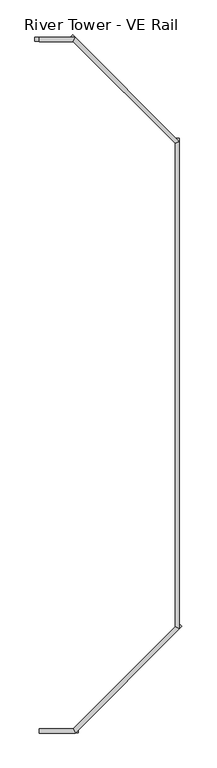
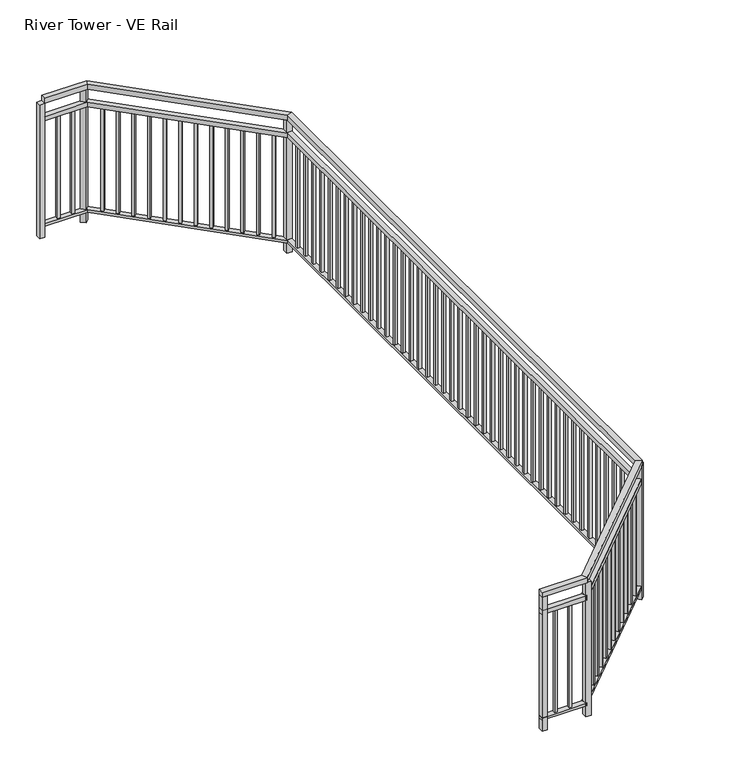
"""IFC4 building model written with IfcOpenShell, lengths in millimetres: railing geometry, River Tower - VE Rail."""

from ifc_helpers import new_model, si_unit, frame, origin, origin_with_axes, place, context, project, spatial, polyline, outline, extrude, faceted_brep, source, transform, mapped, element, save


def river_tower_ve_rail_c5d90f8f(model_context):
    return source(origin(), model_context, "Body", "SolidModel", [
        faceted_brep([(-67.5137515, 1457.9109771, 1028.7), (-67.5137515, 1457.9109771, 1066.8), (-67.5137515, 1497.5984771, 1066.8), (-67.5137515, 1497.5984771, 1028.7), (258.6570795, 1457.9109771, 1028.7), (258.6570795, 1457.9109771, 1066.8), (242.2179787, 1497.5984771, 1066.8), (242.2179787, 1497.5984771, 1028.7), (1203.2799985, 2402.5338961, 1028.7), (1203.2799985, 2402.5338961, 1066.8), (1163.5924985, 2418.9729969, 1066.8), (1163.5924985, 2418.9729969, 1028.7), (1203.2799985, 6814.0755581, 1028.7), (1203.2799985, 6814.0755581, 1066.8), (1163.5924985, 6797.6364573, 1066.8), (1163.5924985, 6797.6364573, 1028.7), (258.6570795, 7758.6984771, 1028.7), (258.6570795, 7758.6984771, 1066.8), (242.2179787, 7719.0109771, 1066.8), (242.2179787, 7719.0109771, 1028.7), (-67.5137515, 7758.6984771, 1028.7), (-67.5137515, 7719.0109771, 1028.7), (-67.5137515, 7719.0109771, 1066.8), (-67.5137515, 7758.6984771, 1066.8)], [[[0, 1, 2, 3]], [[1, 0, 4, 5]], [[2, 1, 5, 6]], [[3, 2, 6, 7]], [[0, 3, 7, 4]], [[5, 4, 8, 9]], [[6, 5, 9, 10]], [[7, 6, 10, 11]], [[4, 7, 11, 8]], [[9, 8, 12, 13]], [[10, 9, 13, 14]], [[11, 10, 14, 15]], [[8, 11, 15, 12]], [[13, 12, 16, 17]], [[14, 13, 17, 18]], [[15, 14, 18, 19]], [[12, 15, 19, 16]], [[20, 21, 22, 23]], [[17, 16, 20, 23]], [[18, 17, 23, 22]], [[19, 18, 22, 21]], [[16, 19, 21, 20]]]),
        faceted_brep([(-67.5137515, 1460.0441802, 893.1671875), (-67.5137515, 1460.0441802, 927.1), (-67.5137515, 1495.465274, 927.1), (-67.5137515, 1495.465274, 893.1671875), (257.7734778, 1460.0441802, 893.1671875), (257.7734778, 1460.0441802, 927.1), (243.1015804, 1495.465274, 927.1), (243.1015804, 1495.465274, 893.1671875), (1201.1467954, 2403.4174978, 893.1671875), (1201.1467954, 2403.4174978, 927.1), (1165.7257016, 2418.0893952, 927.1), (1165.7257016, 2418.0893952, 893.1671875), (1201.1467954, 6813.1919564, 893.1671875), (1201.1467954, 6813.1919564, 927.1), (1165.7257016, 6798.520059, 927.1), (1165.7257016, 6798.520059, 893.1671875), (257.7734778, 7756.565274, 893.1671875), (257.7734778, 7756.565274, 927.1), (243.1015804, 7721.1441802, 927.1), (243.1015804, 7721.1441802, 893.1671875), (-67.5137515, 7756.565274, 893.1671875), (-67.5137515, 7721.1441802, 893.1671875), (-67.5137515, 7721.1441802, 927.1), (-67.5137515, 7756.565274, 927.1)], [[[0, 1, 2, 3]], [[1, 0, 4, 5]], [[2, 1, 5, 6]], [[3, 2, 6, 7]], [[0, 3, 7, 4]], [[5, 4, 8, 9]], [[6, 5, 9, 10]], [[7, 6, 10, 11]], [[4, 7, 11, 8]], [[9, 8, 12, 13]], [[10, 9, 13, 14]], [[11, 10, 14, 15]], [[8, 11, 15, 12]], [[13, 12, 16, 17]], [[14, 13, 17, 18]], [[15, 14, 18, 19]], [[12, 15, 19, 16]], [[20, 21, 22, 23]], [[17, 16, 20, 23]], [[18, 17, 23, 22]], [[19, 18, 22, 21]], [[16, 19, 21, 20]]]),
        faceted_brep([(-67.5137515, 1496.0732865, 82.55), (-67.5137515, 1459.4361677, 82.55), (-67.5137515, 1459.4361677, 101.6127), (-67.5137515, 1496.0732865, 101.6127), (242.8497334, 1496.0732865, 82.55), (258.0253248, 1459.4361677, 82.55), (258.0253248, 1459.4361677, 101.6127), (242.8497334, 1496.0732865, 101.6127), (1165.1176891, 2418.3412422, 82.55), (1201.7548079, 2403.1656507, 82.55), (1201.7548079, 2403.1656507, 101.6127), (1165.1176891, 2418.3412422, 101.6127), (1165.1176891, 6798.2682119, 82.55), (1201.7548079, 6813.4438034, 82.55), (1201.7548079, 6813.4438034, 101.6127), (1165.1176891, 6798.2682119, 101.6127), (242.8497334, 7720.5361677, 82.55), (258.0253248, 7757.1732865, 82.55), (258.0253248, 7757.1732865, 101.6127), (242.8497334, 7720.5361677, 101.6127), (-67.5137515, 7720.5361677, 82.55), (-67.5137515, 7720.5361677, 101.6127), (-67.5137515, 7757.1732865, 101.6127), (-67.5137515, 7757.1732865, 82.55)], [[[0, 1, 2, 3]], [[1, 0, 4, 5]], [[2, 1, 5, 6]], [[3, 2, 6, 7]], [[0, 3, 7, 4]], [[5, 4, 8, 9]], [[6, 5, 9, 10]], [[7, 6, 10, 11]], [[4, 7, 11, 8]], [[9, 8, 12, 13]], [[10, 9, 13, 14]], [[11, 10, 14, 15]], [[8, 11, 15, 12]], [[13, 12, 16, 17]], [[14, 13, 17, 18]], [[15, 14, 18, 19]], [[12, 15, 19, 16]], [[20, 21, 22, 23]], [[17, 16, 20, 23]], [[18, 17, 23, 22]], [[19, 18, 22, 21]], [[16, 19, 21, 20]]]),
        extrude(outline(polyline([(47.9950087, 7729.3297271), (28.9450087, 7729.3297271), (28.9450087, 7748.3797271), (47.9950087, 7748.3797271), (47.9950087, 7729.3297271)])), frame((0.0, 0.0, 101.6127), z_axis=(0.0, 0.0, 1.0), x_axis=(1.0, 0.0, 0.0)), (0.0, 0.0, 1.0), 791.5544875),
        extrude(outline(polyline([(153.9787689, 7729.3297271), (134.9287689, 7729.3297271), (134.9287689, 7748.3797271), (153.9787689, 7748.3797271), (153.9787689, 7729.3297271)])), frame((0.0, 0.0, 101.6127), z_axis=(0.0, 0.0, 1.0), x_axis=(1.0, 0.0, 0.0)), (0.0, 0.0, 1.0), 791.5544875),
        extrude(outline(polyline([(322.2066614, 7653.6152106), (308.7362772, 7667.0855948), (322.2066614, 7680.555979), (335.6770455, 7667.0855948), (322.2066614, 7653.6152106)])), frame((0.0, 0.0, 101.6127), z_axis=(0.0, 0.0, 1.0), x_axis=(1.0, 0.0, 0.0)), (0.0, 0.0, 1.0), 791.5544875),
        extrude(outline(polyline([(393.9757936, 7581.8460784), (380.5054094, 7595.3164626), (393.9757936, 7608.7868467), (407.4461778, 7595.3164626), (393.9757936, 7581.8460784)])), frame((0.0, 0.0, 101.6127), z_axis=(0.0, 0.0, 1.0), x_axis=(1.0, 0.0, 0.0)), (0.0, 0.0, 1.0), 791.5544875),
        extrude(outline(polyline([(465.7449259, 7510.0769461), (452.2745417, 7523.5473303), (465.7449259, 7537.0177145), (479.2153101, 7523.5473303), (465.7449259, 7510.0769461)])), frame((0.0, 0.0, 101.6127), z_axis=(0.0, 0.0, 1.0), x_axis=(1.0, 0.0, 0.0)), (0.0, 0.0, 1.0), 791.5544875),
        extrude(outline(polyline([(537.5140581, 7438.3078139), (524.043674, 7451.778198), (537.5140581, 7465.2485822), (550.9844423, 7451.778198), (537.5140581, 7438.3078139)])), frame((0.0, 0.0, 101.6127), z_axis=(0.0, 0.0, 1.0), x_axis=(1.0, 0.0, 0.0)), (0.0, 0.0, 1.0), 791.5544875),
        extrude(outline(polyline([(609.2831904, 7366.5386816), (595.8128062, 7380.0090658), (609.2831904, 7393.47945), (622.7535746, 7380.0090658), (609.2831904, 7366.5386816)])), frame((0.0, 0.0, 101.6127), z_axis=(0.0, 0.0, 1.0), x_axis=(1.0, 0.0, 0.0)), (0.0, 0.0, 1.0), 791.5544875),
        extrude(outline(polyline([(681.0523227, 7294.7695493), (667.5819385, 7308.2399335), (681.0523227, 7321.7103177), (694.5227068, 7308.2399335), (681.0523227, 7294.7695493)])), frame((0.0, 0.0, 101.6127), z_axis=(0.0, 0.0, 1.0), x_axis=(1.0, 0.0, 0.0)), (0.0, 0.0, 1.0), 791.5544875),
        extrude(outline(polyline([(752.8214549, 7223.0004171), (739.3510707, 7236.4708013), (752.8214549, 7249.9411854), (766.2918391, 7236.4708013), (752.8214549, 7223.0004171)])), frame((0.0, 0.0, 101.6127), z_axis=(0.0, 0.0, 1.0), x_axis=(1.0, 0.0, 0.0)), (0.0, 0.0, 1.0), 791.5544875),
        extrude(outline(polyline([(824.5905872, 7151.2312848), (811.120203, 7164.701669), (824.5905872, 7178.1720532), (838.0609714, 7164.701669), (824.5905872, 7151.2312848)])), frame((0.0, 0.0, 101.6127), z_axis=(0.0, 0.0, 1.0), x_axis=(1.0, 0.0, 0.0)), (0.0, 0.0, 1.0), 791.5544875),
        extrude(outline(polyline([(896.3597194, 7079.4621525), (882.8893353, 7092.9325367), (896.3597194, 7106.4029209), (909.8301036, 7092.9325367), (896.3597194, 7079.4621525)])), frame((0.0, 0.0, 101.6127), z_axis=(0.0, 0.0, 1.0), x_axis=(1.0, 0.0, 0.0)), (0.0, 0.0, 1.0), 791.5544875),
        extrude(outline(polyline([(968.1288517, 7007.6930203), (954.6584675, 7021.1634045), (968.1288517, 7034.6337887), (981.5992359, 7021.1634045), (968.1288517, 7007.6930203)])), frame((0.0, 0.0, 101.6127), z_axis=(0.0, 0.0, 1.0), x_axis=(1.0, 0.0, 0.0)), (0.0, 0.0, 1.0), 791.5544875),
        extrude(outline(polyline([(1039.897984, 6935.923888), (1026.4275998, 6949.3942722), (1039.897984, 6962.8646564), (1053.3683682, 6949.3942722), (1039.897984, 6935.923888)])), frame((0.0, 0.0, 101.6127), z_axis=(0.0, 0.0, 1.0), x_axis=(1.0, 0.0, 0.0)), (0.0, 0.0, 1.0), 791.5544875),
        extrude(outline(polyline([(1111.6671162, 6864.1547558), (1098.196732, 6877.6251399), (1111.6671162, 6891.0955241), (1125.1375004, 6877.6251399), (1111.6671162, 6864.1547558)])), frame((0.0, 0.0, 101.6127), z_axis=(0.0, 0.0, 1.0), x_axis=(1.0, 0.0, 0.0)), (0.0, 0.0, 1.0), 791.5544875),
        extrude(outline(polyline([(1173.9112485, 6694.1193202), (1173.9112485, 6713.1693202), (1192.9612485, 6713.1693202), (1192.9612485, 6694.1193202), (1173.9112485, 6694.1193202)])), frame((0.0, 0.0, 101.6127), z_axis=(0.0, 0.0, 1.0), x_axis=(1.0, 0.0, 0.0)), (0.0, 0.0, 1.0), 791.5544875),
        extrude(outline(polyline([(1173.9112485, 6591.9076327), (1173.9112485, 6610.9576327), (1192.9612485, 6610.9576327), (1192.9612485, 6591.9076327), (1173.9112485, 6591.9076327)])), frame((0.0, 0.0, 101.6127), z_axis=(0.0, 0.0, 1.0), x_axis=(1.0, 0.0, 0.0)), (0.0, 0.0, 1.0), 791.5544875),
        extrude(outline(polyline([(1173.9112485, 6489.6959453), (1173.9112485, 6508.7459453), (1192.9612485, 6508.7459453), (1192.9612485, 6489.6959453), (1173.9112485, 6489.6959453)])), frame((0.0, 0.0, 101.6127), z_axis=(0.0, 0.0, 1.0), x_axis=(1.0, 0.0, 0.0)), (0.0, 0.0, 1.0), 791.5544875),
        extrude(outline(polyline([(1173.9112485, 6387.4842578), (1173.9112485, 6406.5342578), (1192.9612485, 6406.5342578), (1192.9612485, 6387.4842578), (1173.9112485, 6387.4842578)])), frame((0.0, 0.0, 101.6127), z_axis=(0.0, 0.0, 1.0), x_axis=(1.0, 0.0, 0.0)), (0.0, 0.0, 1.0), 791.5544875),
        extrude(outline(polyline([(1173.9112485, 6285.2725703), (1173.9112485, 6304.3225703), (1192.9612485, 6304.3225703), (1192.9612485, 6285.2725703), (1173.9112485, 6285.2725703)])), frame((0.0, 0.0, 101.6127), z_axis=(0.0, 0.0, 1.0), x_axis=(1.0, 0.0, 0.0)), (0.0, 0.0, 1.0), 791.5544875),
        extrude(outline(polyline([(1173.9112485, 6183.0608829), (1173.9112485, 6202.1108829), (1192.9612485, 6202.1108829), (1192.9612485, 6183.0608829), (1173.9112485, 6183.0608829)])), frame((0.0, 0.0, 101.6127), z_axis=(0.0, 0.0, 1.0), x_axis=(1.0, 0.0, 0.0)), (0.0, 0.0, 1.0), 791.5544875),
        extrude(outline(polyline([(1173.9112485, 6080.8491954), (1173.9112485, 6099.8991954), (1192.9612485, 6099.8991954), (1192.9612485, 6080.8491954), (1173.9112485, 6080.8491954)])), frame((0.0, 0.0, 101.6127), z_axis=(0.0, 0.0, 1.0), x_axis=(1.0, 0.0, 0.0)), (0.0, 0.0, 1.0), 791.5544875),
        extrude(outline(polyline([(1173.9112485, 5978.6375079), (1173.9112485, 5997.6875079), (1192.9612485, 5997.6875079), (1192.9612485, 5978.6375079), (1173.9112485, 5978.6375079)])), frame((0.0, 0.0, 101.6127), z_axis=(0.0, 0.0, 1.0), x_axis=(1.0, 0.0, 0.0)), (0.0, 0.0, 1.0), 791.5544875),
        extrude(outline(polyline([(1173.9112485, 5876.4258205), (1173.9112485, 5895.4758205), (1192.9612485, 5895.4758205), (1192.9612485, 5876.4258205), (1173.9112485, 5876.4258205)])), frame((0.0, 0.0, 101.6127), z_axis=(0.0, 0.0, 1.0), x_axis=(1.0, 0.0, 0.0)), (0.0, 0.0, 1.0), 791.5544875),
        extrude(outline(polyline([(1173.9112485, 5774.214133), (1173.9112485, 5793.264133), (1192.9612485, 5793.264133), (1192.9612485, 5774.214133), (1173.9112485, 5774.214133)])), frame((0.0, 0.0, 101.6127), z_axis=(0.0, 0.0, 1.0), x_axis=(1.0, 0.0, 0.0)), (0.0, 0.0, 1.0), 791.5544875),
        extrude(outline(polyline([(1173.9112485, 5672.0024455), (1173.9112485, 5691.0524455), (1192.9612485, 5691.0524455), (1192.9612485, 5672.0024455), (1173.9112485, 5672.0024455)])), frame((0.0, 0.0, 101.6127), z_axis=(0.0, 0.0, 1.0), x_axis=(1.0, 0.0, 0.0)), (0.0, 0.0, 1.0), 791.5544875),
        extrude(outline(polyline([(1173.9112485, 5569.790758), (1173.9112485, 5588.840758), (1192.9612485, 5588.840758), (1192.9612485, 5569.790758), (1173.9112485, 5569.790758)])), frame((0.0, 0.0, 101.6127), z_axis=(0.0, 0.0, 1.0), x_axis=(1.0, 0.0, 0.0)), (0.0, 0.0, 1.0), 791.5544875),
        extrude(outline(polyline([(1173.9112485, 5467.5790706), (1173.9112485, 5486.6290706), (1192.9612485, 5486.6290706), (1192.9612485, 5467.5790706), (1173.9112485, 5467.5790706)])), frame((0.0, 0.0, 101.6127), z_axis=(0.0, 0.0, 1.0), x_axis=(1.0, 0.0, 0.0)), (0.0, 0.0, 1.0), 791.5544875),
        extrude(outline(polyline([(1173.9112485, 5365.3673831), (1173.9112485, 5384.4173831), (1192.9612485, 5384.4173831), (1192.9612485, 5365.3673831), (1173.9112485, 5365.3673831)])), frame((0.0, 0.0, 101.6127), z_axis=(0.0, 0.0, 1.0), x_axis=(1.0, 0.0, 0.0)), (0.0, 0.0, 1.0), 791.5544875),
        extrude(outline(polyline([(1173.9112485, 5263.1556956), (1173.9112485, 5282.2056956), (1192.9612485, 5282.2056956), (1192.9612485, 5263.1556956), (1173.9112485, 5263.1556956)])), frame((0.0, 0.0, 101.6127), z_axis=(0.0, 0.0, 1.0), x_axis=(1.0, 0.0, 0.0)), (0.0, 0.0, 1.0), 791.5544875),
        extrude(outline(polyline([(1173.9112485, 5160.9440082), (1173.9112485, 5179.9940082), (1192.9612485, 5179.9940082), (1192.9612485, 5160.9440082), (1173.9112485, 5160.9440082)])), frame((0.0, 0.0, 101.6127), z_axis=(0.0, 0.0, 1.0), x_axis=(1.0, 0.0, 0.0)), (0.0, 0.0, 1.0), 791.5544875),
        extrude(outline(polyline([(1173.9112485, 5058.7323207), (1173.9112485, 5077.7823207), (1192.9612485, 5077.7823207), (1192.9612485, 5058.7323207), (1173.9112485, 5058.7323207)])), frame((0.0, 0.0, 101.6127), z_axis=(0.0, 0.0, 1.0), x_axis=(1.0, 0.0, 0.0)), (0.0, 0.0, 1.0), 791.5544875),
        extrude(outline(polyline([(1173.9112485, 4956.5206332), (1173.9112485, 4975.5706332), (1192.9612485, 4975.5706332), (1192.9612485, 4956.5206332), (1173.9112485, 4956.5206332)])), frame((0.0, 0.0, 101.6127), z_axis=(0.0, 0.0, 1.0), x_axis=(1.0, 0.0, 0.0)), (0.0, 0.0, 1.0), 791.5544875),
        extrude(outline(polyline([(1173.9112485, 4854.3089458), (1173.9112485, 4873.3589458), (1192.9612485, 4873.3589458), (1192.9612485, 4854.3089458), (1173.9112485, 4854.3089458)])), frame((0.0, 0.0, 101.6127), z_axis=(0.0, 0.0, 1.0), x_axis=(1.0, 0.0, 0.0)), (0.0, 0.0, 1.0), 791.5544875),
        extrude(outline(polyline([(1173.9112485, 4752.0972583), (1173.9112485, 4771.1472583), (1192.9612485, 4771.1472583), (1192.9612485, 4752.0972583), (1173.9112485, 4752.0972583)])), frame((0.0, 0.0, 101.6127), z_axis=(0.0, 0.0, 1.0), x_axis=(1.0, 0.0, 0.0)), (0.0, 0.0, 1.0), 791.5544875),
        extrude(outline(polyline([(1173.9112485, 4649.8855708), (1173.9112485, 4668.9355708), (1192.9612485, 4668.9355708), (1192.9612485, 4649.8855708), (1173.9112485, 4649.8855708)])), frame((0.0, 0.0, 101.6127), z_axis=(0.0, 0.0, 1.0), x_axis=(1.0, 0.0, 0.0)), (0.0, 0.0, 1.0), 791.5544875),
        extrude(outline(polyline([(1173.9112485, 4547.6738833), (1173.9112485, 4566.7238833), (1192.9612485, 4566.7238833), (1192.9612485, 4547.6738833), (1173.9112485, 4547.6738833)])), frame((0.0, 0.0, 101.6127), z_axis=(0.0, 0.0, 1.0), x_axis=(1.0, 0.0, 0.0)), (0.0, 0.0, 1.0), 791.5544875),
        extrude(outline(polyline([(1173.9112485, 4445.4621959), (1173.9112485, 4464.5121959), (1192.9612485, 4464.5121959), (1192.9612485, 4445.4621959), (1173.9112485, 4445.4621959)])), frame((0.0, 0.0, 101.6127), z_axis=(0.0, 0.0, 1.0), x_axis=(1.0, 0.0, 0.0)), (0.0, 0.0, 1.0), 791.5544875),
        extrude(outline(polyline([(1173.9112485, 4343.2505084), (1173.9112485, 4362.3005084), (1192.9612485, 4362.3005084), (1192.9612485, 4343.2505084), (1173.9112485, 4343.2505084)])), frame((0.0, 0.0, 101.6127), z_axis=(0.0, 0.0, 1.0), x_axis=(1.0, 0.0, 0.0)), (0.0, 0.0, 1.0), 791.5544875),
        extrude(outline(polyline([(1173.9112485, 4241.0388209), (1173.9112485, 4260.0888209), (1192.9612485, 4260.0888209), (1192.9612485, 4241.0388209), (1173.9112485, 4241.0388209)])), frame((0.0, 0.0, 101.6127), z_axis=(0.0, 0.0, 1.0), x_axis=(1.0, 0.0, 0.0)), (0.0, 0.0, 1.0), 791.5544875),
        extrude(outline(polyline([(1173.9112485, 4138.8271335), (1173.9112485, 4157.8771335), (1192.9612485, 4157.8771335), (1192.9612485, 4138.8271335), (1173.9112485, 4138.8271335)])), frame((0.0, 0.0, 101.6127), z_axis=(0.0, 0.0, 1.0), x_axis=(1.0, 0.0, 0.0)), (0.0, 0.0, 1.0), 791.5544875),
        extrude(outline(polyline([(1173.9112485, 4036.615446), (1173.9112485, 4055.665446), (1192.9612485, 4055.665446), (1192.9612485, 4036.615446), (1173.9112485, 4036.615446)])), frame((0.0, 0.0, 101.6127), z_axis=(0.0, 0.0, 1.0), x_axis=(1.0, 0.0, 0.0)), (0.0, 0.0, 1.0), 791.5544875),
        extrude(outline(polyline([(1173.9112485, 3934.4037585), (1173.9112485, 3953.4537585), (1192.9612485, 3953.4537585), (1192.9612485, 3934.4037585), (1173.9112485, 3934.4037585)])), frame((0.0, 0.0, 101.6127), z_axis=(0.0, 0.0, 1.0), x_axis=(1.0, 0.0, 0.0)), (0.0, 0.0, 1.0), 791.5544875),
        extrude(outline(polyline([(1173.9112485, 3832.1920711), (1173.9112485, 3851.2420711), (1192.9612485, 3851.2420711), (1192.9612485, 3832.1920711), (1173.9112485, 3832.1920711)])), frame((0.0, 0.0, 101.6127), z_axis=(0.0, 0.0, 1.0), x_axis=(1.0, 0.0, 0.0)), (0.0, 0.0, 1.0), 791.5544875),
        extrude(outline(polyline([(1173.9112485, 3729.9803836), (1173.9112485, 3749.0303836), (1192.9612485, 3749.0303836), (1192.9612485, 3729.9803836), (1173.9112485, 3729.9803836)])), frame((0.0, 0.0, 101.6127), z_axis=(0.0, 0.0, 1.0), x_axis=(1.0, 0.0, 0.0)), (0.0, 0.0, 1.0), 791.5544875),
        extrude(outline(polyline([(1173.9112485, 3627.7686961), (1173.9112485, 3646.8186961), (1192.9612485, 3646.8186961), (1192.9612485, 3627.7686961), (1173.9112485, 3627.7686961)])), frame((0.0, 0.0, 101.6127), z_axis=(0.0, 0.0, 1.0), x_axis=(1.0, 0.0, 0.0)), (0.0, 0.0, 1.0), 791.5544875),
        extrude(outline(polyline([(1173.9112485, 3525.5570086), (1173.9112485, 3544.6070086), (1192.9612485, 3544.6070086), (1192.9612485, 3525.5570086), (1173.9112485, 3525.5570086)])), frame((0.0, 0.0, 101.6127), z_axis=(0.0, 0.0, 1.0), x_axis=(1.0, 0.0, 0.0)), (0.0, 0.0, 1.0), 791.5544875),
        extrude(outline(polyline([(1173.9112485, 3423.3453212), (1173.9112485, 3442.3953212), (1192.9612485, 3442.3953212), (1192.9612485, 3423.3453212), (1173.9112485, 3423.3453212)])), frame((0.0, 0.0, 101.6127), z_axis=(0.0, 0.0, 1.0), x_axis=(1.0, 0.0, 0.0)), (0.0, 0.0, 1.0), 791.5544875),
        extrude(outline(polyline([(1173.9112485, 3321.1336337), (1173.9112485, 3340.1836337), (1192.9612485, 3340.1836337), (1192.9612485, 3321.1336337), (1173.9112485, 3321.1336337)])), frame((0.0, 0.0, 101.6127), z_axis=(0.0, 0.0, 1.0), x_axis=(1.0, 0.0, 0.0)), (0.0, 0.0, 1.0), 791.5544875),
        extrude(outline(polyline([(1173.9112485, 3218.9219462), (1173.9112485, 3237.9719462), (1192.9612485, 3237.9719462), (1192.9612485, 3218.9219462), (1173.9112485, 3218.9219462)])), frame((0.0, 0.0, 101.6127), z_axis=(0.0, 0.0, 1.0), x_axis=(1.0, 0.0, 0.0)), (0.0, 0.0, 1.0), 791.5544875),
        extrude(outline(polyline([(1173.9112485, 3116.7102588), (1173.9112485, 3135.7602588), (1192.9612485, 3135.7602588), (1192.9612485, 3116.7102588), (1173.9112485, 3116.7102588)])), frame((0.0, 0.0, 101.6127), z_axis=(0.0, 0.0, 1.0), x_axis=(1.0, 0.0, 0.0)), (0.0, 0.0, 1.0), 791.5544875),
        extrude(outline(polyline([(1173.9112485, 3014.4985713), (1173.9112485, 3033.5485713), (1192.9612485, 3033.5485713), (1192.9612485, 3014.4985713), (1173.9112485, 3014.4985713)])), frame((0.0, 0.0, 101.6127), z_axis=(0.0, 0.0, 1.0), x_axis=(1.0, 0.0, 0.0)), (0.0, 0.0, 1.0), 791.5544875),
        extrude(outline(polyline([(1173.9112485, 2912.2868838), (1173.9112485, 2931.3368838), (1192.9612485, 2931.3368838), (1192.9612485, 2912.2868838), (1173.9112485, 2912.2868838)])), frame((0.0, 0.0, 101.6127), z_axis=(0.0, 0.0, 1.0), x_axis=(1.0, 0.0, 0.0)), (0.0, 0.0, 1.0), 791.5544875),
        extrude(outline(polyline([(1173.9112485, 2810.0751964), (1173.9112485, 2829.1251964), (1192.9612485, 2829.1251964), (1192.9612485, 2810.0751964), (1173.9112485, 2810.0751964)])), frame((0.0, 0.0, 101.6127), z_axis=(0.0, 0.0, 1.0), x_axis=(1.0, 0.0, 0.0)), (0.0, 0.0, 1.0), 791.5544875),
        extrude(outline(polyline([(1173.9112485, 2707.8635089), (1173.9112485, 2726.9135089), (1192.9612485, 2726.9135089), (1192.9612485, 2707.8635089), (1173.9112485, 2707.8635089)])), frame((0.0, 0.0, 101.6127), z_axis=(0.0, 0.0, 1.0), x_axis=(1.0, 0.0, 0.0)), (0.0, 0.0, 1.0), 791.5544875),
        extrude(outline(polyline([(1173.9112485, 2605.6518214), (1173.9112485, 2624.7018214), (1192.9612485, 2624.7018214), (1192.9612485, 2605.6518214), (1173.9112485, 2605.6518214)])), frame((0.0, 0.0, 101.6127), z_axis=(0.0, 0.0, 1.0), x_axis=(1.0, 0.0, 0.0)), (0.0, 0.0, 1.0), 791.5544875),
        extrude(outline(polyline([(1173.9112485, 2503.4401339), (1173.9112485, 2522.4901339), (1192.9612485, 2522.4901339), (1192.9612485, 2503.4401339), (1173.9112485, 2503.4401339)])), frame((0.0, 0.0, 101.6127), z_axis=(0.0, 0.0, 1.0), x_axis=(1.0, 0.0, 0.0)), (0.0, 0.0, 1.0), 791.5544875),
        extrude(outline(polyline([(1098.196732, 2338.9843142), (1111.6671162, 2352.4546984), (1125.1375004, 2338.9843142), (1111.6671162, 2325.51393), (1098.196732, 2338.9843142)])), frame((0.0, 0.0, 101.6127), z_axis=(0.0, 0.0, 1.0), x_axis=(1.0, 0.0, 0.0)), (0.0, 0.0, 1.0), 791.5544875),
        extrude(outline(polyline([(1026.4275998, 2267.215182), (1039.897984, 2280.6855661), (1053.3683682, 2267.215182), (1039.897984, 2253.7447978), (1026.4275998, 2267.215182)])), frame((0.0, 0.0, 101.6127), z_axis=(0.0, 0.0, 1.0), x_axis=(1.0, 0.0, 0.0)), (0.0, 0.0, 1.0), 791.5544875),
        extrude(outline(polyline([(954.6584675, 2195.4460497), (968.1288517, 2208.9164339), (981.5992359, 2195.4460497), (968.1288517, 2181.9756655), (954.6584675, 2195.4460497)])), frame((0.0, 0.0, 101.6127), z_axis=(0.0, 0.0, 1.0), x_axis=(1.0, 0.0, 0.0)), (0.0, 0.0, 1.0), 791.5544875),
        extrude(outline(polyline([(882.8893353, 2123.6769174), (896.3597194, 2137.1473016), (909.8301036, 2123.6769174), (896.3597194, 2110.2065332), (882.8893353, 2123.6769174)])), frame((0.0, 0.0, 101.6127), z_axis=(0.0, 0.0, 1.0), x_axis=(1.0, 0.0, 0.0)), (0.0, 0.0, 1.0), 791.5544875),
        extrude(outline(polyline([(811.120203, 2051.9077852), (824.5905872, 2065.3781694), (838.0609714, 2051.9077852), (824.5905872, 2038.437401), (811.120203, 2051.9077852)])), frame((0.0, 0.0, 101.6127), z_axis=(0.0, 0.0, 1.0), x_axis=(1.0, 0.0, 0.0)), (0.0, 0.0, 1.0), 791.5544875),
        extrude(outline(polyline([(739.3510707, 1980.1386529), (752.8214549, 1993.6090371), (766.2918391, 1980.1386529), (752.8214549, 1966.6682687), (739.3510707, 1980.1386529)])), frame((0.0, 0.0, 101.6127), z_axis=(0.0, 0.0, 1.0), x_axis=(1.0, 0.0, 0.0)), (0.0, 0.0, 1.0), 791.5544875),
        extrude(outline(polyline([(667.5819385, 1908.3695206), (681.0523227, 1921.8399048), (694.5227068, 1908.3695206), (681.0523227, 1894.8991365), (667.5819385, 1908.3695206)])), frame((0.0, 0.0, 101.6127), z_axis=(0.0, 0.0, 1.0), x_axis=(1.0, 0.0, 0.0)), (0.0, 0.0, 1.0), 791.5544875),
        extrude(outline(polyline([(595.8128062, 1836.6003884), (609.2831904, 1850.0707726), (622.7535746, 1836.6003884), (609.2831904, 1823.1300042), (595.8128062, 1836.6003884)])), frame((0.0, 0.0, 101.6127), z_axis=(0.0, 0.0, 1.0), x_axis=(1.0, 0.0, 0.0)), (0.0, 0.0, 1.0), 791.5544875),
        extrude(outline(polyline([(524.043674, 1764.8312561), (537.5140581, 1778.3016403), (550.9844423, 1764.8312561), (537.5140581, 1751.3608719), (524.043674, 1764.8312561)])), frame((0.0, 0.0, 101.6127), z_axis=(0.0, 0.0, 1.0), x_axis=(1.0, 0.0, 0.0)), (0.0, 0.0, 1.0), 791.5544875),
        extrude(outline(polyline([(452.2745417, 1693.0621239), (465.7449259, 1706.532508), (479.2153101, 1693.0621239), (465.7449259, 1679.5917397), (452.2745417, 1693.0621239)])), frame((0.0, 0.0, 101.6127), z_axis=(0.0, 0.0, 1.0), x_axis=(1.0, 0.0, 0.0)), (0.0, 0.0, 1.0), 791.5544875),
        extrude(outline(polyline([(380.5054094, 1621.2929916), (393.9757936, 1634.7633758), (407.4461778, 1621.2929916), (393.9757936, 1607.8226074), (380.5054094, 1621.2929916)])), frame((0.0, 0.0, 101.6127), z_axis=(0.0, 0.0, 1.0), x_axis=(1.0, 0.0, 0.0)), (0.0, 0.0, 1.0), 791.5544875),
        extrude(outline(polyline([(308.7362772, 1549.5238593), (322.2066614, 1562.9942435), (335.6770455, 1549.5238593), (322.2066614, 1536.0534752), (308.7362772, 1549.5238593)])), frame((0.0, 0.0, 101.6127), z_axis=(0.0, 0.0, 1.0), x_axis=(1.0, 0.0, 0.0)), (0.0, 0.0, 1.0), 791.5544875),
        extrude(outline(polyline([(134.9287689, 1487.2797271), (153.9787689, 1487.2797271), (153.9787689, 1468.2297271), (134.9287689, 1468.2297271), (134.9287689, 1487.2797271)])), frame((0.0, 0.0, 101.6127), z_axis=(0.0, 0.0, 1.0), x_axis=(1.0, 0.0, 0.0)), (0.0, 0.0, 1.0), 791.5544875),
        extrude(outline(polyline([(28.9450087, 1487.2797271), (47.9950087, 1487.2797271), (47.9950087, 1468.2297271), (28.9450087, 1468.2297271), (28.9450087, 1487.2797271)])), frame((0.0, 0.0, 101.6127), z_axis=(0.0, 0.0, 1.0), x_axis=(1.0, 0.0, 0.0)), (0.0, 0.0, 1.0), 791.5544875),
        extrude(outline(polyline([(236.9671449, 7779.2658796), (263.9079133, 7752.3251113), (236.9671449, 7725.3843429), (210.0263766, 7752.3251113), (236.9671449, 7779.2658796)])), origin_with_axes(), (0.0, 0.0, 1.0), 1028.7),
        extrude(outline(polyline([(1202.4862485, 6843.9560077), (1202.4862485, 6805.8560077), (1164.3862485, 6805.8560077), (1164.3862485, 6843.9560077), (1202.4862485, 6843.9560077)])), origin_with_axes(), (0.0, 0.0, 1.0), 1028.7),
        extrude(outline(polyline([(1223.847401, 2424.2238307), (1196.9066327, 2397.2830623), (1169.9658643, 2424.2238307), (1196.9066327, 2451.164599), (1223.847401, 2424.2238307)])), origin_with_axes(), (0.0, 0.0, 1.0), 1028.7),
        extrude(outline(polyline([(288.5375291, 1458.7047271), (250.4375291, 1458.7047271), (250.4375291, 1496.8047271), (288.5375291, 1496.8047271), (288.5375291, 1458.7047271)])), origin_with_axes(), (0.0, 0.0, 1.0), 1028.7),
        extrude(outline(polyline([(-105.6137515, 7757.9047271), (-67.5137515, 7757.9047271), (-67.5137515, 7719.8047271), (-105.6137515, 7719.8047271), (-105.6137515, 7757.9047271)])), origin_with_axes(), (0.0, 0.0, 1.0), 1028.7),
        extrude(outline(polyline([(-29.4137515, 1458.7047271), (-67.5137515, 1458.7047271), (-67.5137515, 1496.8047271), (-29.4137515, 1496.8047271), (-29.4137515, 1458.7047271)])), origin_with_axes(), (0.0, 0.0, 1.0), 1028.7),
    ])


if __name__ == "__main__":
    model = new_model("IFC4")
    model_context = context("Model", 3, world=origin())
    ifc_project = project(units=[si_unit("LENGTHUNIT", "METRE", prefix="MILLI")], contexts=[model_context])
    site = spatial("IfcSite", under=ifc_project)
    building = spatial("IfcBuilding", under=site)
    placement = place(None, origin())
    river_tower_ve_rail_shape = river_tower_ve_rail_c5d90f8f(model_context)
    element("IfcRailing", 1, ObjectType="River Tower - VE Rail", at=placement, inside=building, context=model_context, shape_type="MappedRepresentation", body=[
        mapped(river_tower_ve_rail_shape, transform((0.0, 0.0, 0.0), x_axis=(1.0, 0.0, 0.0), y_axis=(0.0, 1.0, 0.0), z_axis=(0.0, 0.0, 1.0))),
    ])
    save(model, "model.ifc")
